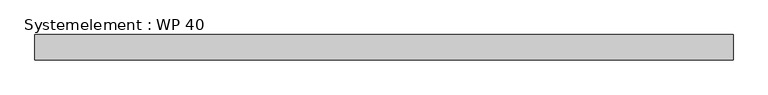
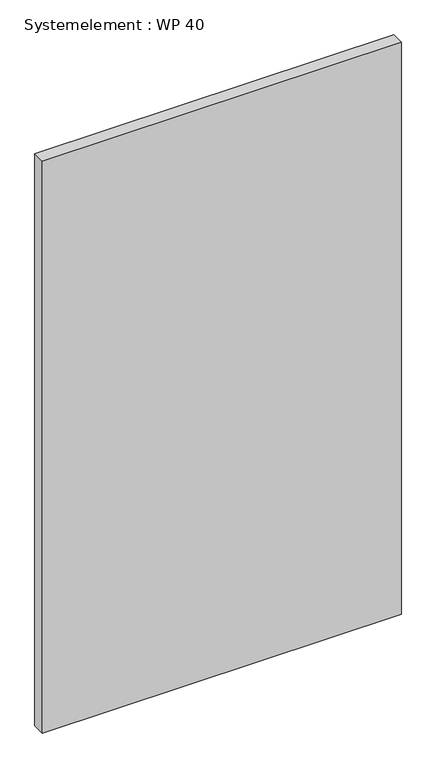
"""IFC4 building model written with IfcOpenShell, lengths in millimetres: plate geometry, Systemelement : WP 40."""

from ifc_helpers import new_model, si_unit, origin, origin_with_axes, place, context, project, spatial, polyline, outline, extrude, source, transform, mapped, element, save


def systemelement_wp_40_a7dc4461(model_context):
    return source(origin(), model_context, "Body", "SweptSolid", [
        extrude(outline(polyline([(550.0, -40.0), (-550.0, -40.0), (-550.0, 0.0), (550.0, 0.0), (550.0, -40.0)])), origin_with_axes(), (0.0, 0.0, 1.0), 1851.6147161),
    ])


if __name__ == "__main__":
    model = new_model("IFC4")
    model_context = context("Model", 3, world=origin())
    ifc_project = project(units=[si_unit("LENGTHUNIT", "METRE", prefix="MILLI")], contexts=[model_context])
    site = spatial("IfcSite", under=ifc_project)
    building = spatial("IfcBuilding", under=site)
    placement = place(None, origin())
    systemelement_wp_40_shape = systemelement_wp_40_a7dc4461(model_context)
    element("IfcPlate", 1, ObjectType="Systemelement : WP 40", at=placement, inside=building, context=model_context, shape_type="MappedRepresentation", body=[
        mapped(systemelement_wp_40_shape, transform((0.0, 0.0, 0.0), x_axis=(1.0, 0.0, 0.0), y_axis=(0.0, 1.0, 0.0), z_axis=(0.0, 0.0, 1.0))),
    ])
    save(model, "model.ifc")
